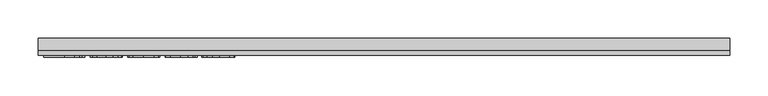
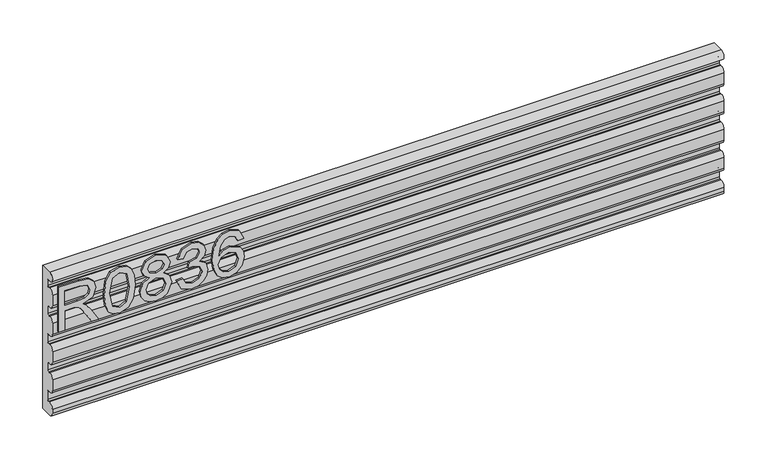
"""IFC4 building model written with IfcOpenShell, lengths in millimetres: furniture geometry."""

from ifc_helpers import new_model, si_unit, point, frame, frame_2d, origin, place, context, project, spatial, polyline, circle_curve, trimmed, segment, composite_curve, outline, extrude, source, transform, mapped, element, save


def furniture_57f4e40e(model_context):
    return source(origin(), model_context, "Body", "SweptSolid", [
        extrude(outline(polyline([(1085.85, -443.8729953), (1085.85, -435.8992757), (1113.7580187, -435.8992757), (1113.7580187, -426.274747), (1113.4776926, -421.6493666), (1111.9592596, -417.8571777), (1107.82445, -413.6444997), (1099.0720468, -407.6486363), (1085.85, -399.3478696), (1085.85, -390.0815353), (1103.136775, -400.7183526), (1111.3440996, -407.1814262), (1114.7547336, -411.7133645), (1120.6883023, -398.3589415), (1132.1816716, -394.0372477), (1141.8295609, -396.6458376), (1147.9188663, -403.6228423), (1149.6397569, -416.3854658), (1149.6397569, -443.8729953), (1085.85, -443.8729953)]), holes=[polyline([(1121.7317383, -435.8992757), (1141.6660373, -435.8992757), (1141.6660373, -416.042845), (1138.9094975, -405.3826671), (1131.8857719, -402.0109673), (1126.4739211, -403.778579), (1122.8608294, -408.9490378), (1121.7317383, -418.0518486), (1121.7317383, -435.8992757)])]), frame((0.0, -24.60625, 0.0), z_axis=(0.0, 1.0, 0.0), x_axis=(0.0, 0.0, 1.0)), (0.0, 0.0, 1.0), 2.38125),
        extrude(outline(polyline([(1117.2309473, -383.0733832), (1101.7156775, -381.4848688), (1090.9270168, -376.7193254), (1086.371718, -370.4275623), (1084.853285, -362.1423692), (1088.3495742, -350.4699027), (1098.9552443, -343.5318322), (1117.2309473, -341.2113553), (1132.2206058, -342.6597067), (1141.6582505, -346.3973877), (1147.5840324, -352.8293139), (1149.6397569, -362.1423692), (1146.1668283, -373.7681147), (1135.5845188, -380.7295457), (1117.2309473, -383.0733832)]), holes=[polyline([(1117.246521, -375.0996636), (1137.3988514, -371.2373932), (1141.6660373, -362.2358113), (1136.8226256, -352.7981666), (1117.246521, -349.1850749), (1097.4601718, -352.9227559), (1092.8270047, -362.1423692), (1097.4445982, -371.3619826), (1117.246521, -375.0996636)])]), frame((0.0, -24.60625, 0.0), z_axis=(0.0, 1.0, 0.0), x_axis=(0.0, 0.0, 1.0)), (0.0, 0.0, 1.0), 2.38125),
        extrude(outline(polyline([(1120.9842021, -322.6163919), (1115.1907964, -331.2130584), (1104.6318474, -334.2343506), (1096.8742125, -332.793786), (1090.5143145, -328.4720923), (1086.2685424, -321.7987742), (1084.853285, -313.3033366), (1086.2627023, -304.807899), (1090.490954, -298.1345809), (1104.413816, -292.3723226), (1114.7313731, -295.2768123), (1120.9842021, -303.7566762), (1125.913269, -296.6940163), (1133.4275653, -294.3657525), (1144.9209346, -299.598506), (1149.6397569, -313.4123523), (1145.0299503, -327.1016092), (1133.6455967, -332.2409207), (1125.9366295, -329.8815095), (1120.9842021, -322.6163919)]), holes=[polyline([(1104.9121735, -326.260631), (1113.3686769, -322.8889312), (1116.7481635, -313.5057943), (1113.3219559, -303.8501182), (1104.6629947, -300.3460422), (1096.1675571, -303.7411025), (1092.8270047, -313.2410419), (1094.4155191, -320.2180466), (1098.9085232, -324.9290821), (1104.9121735, -326.260631)]), polyline([(1133.4119916, -324.2672011), (1139.2365446, -321.3938587), (1141.6660373, -313.3033366), (1139.1820368, -305.2361749), (1133.0537972, -302.3394721), (1127.1358022, -305.1427329), (1124.7218831, -313.2098946), (1127.1513758, -321.4405798), (1133.4119916, -324.2672011)])]), frame((0.0, -24.60625, 0.0), z_axis=(0.0, 1.0, 0.0), x_axis=(0.0, 0.0, 1.0)), (0.0, 0.0, 1.0), 2.38125),
        extrude(outline(polyline([(1102.7941542, -285.3953179), (1089.8524335, -279.0568338), (1084.853285, -265.0716771), (1086.3172101, -256.5489856), (1090.7089854, -249.638169), (1097.2032063, -245.0595097), (1104.9744681, -243.5332899), (1115.3465331, -246.5857295), (1120.797318, -255.275838), (1126.0767925, -248.7348961), (1133.4275653, -246.5234348), (1141.4713664, -248.8516986), (1147.4516562, -255.5795245), (1149.6397569, -265.1962665), (1145.2012607, -277.8732348), (1132.6956028, -284.398603), (1131.6988878, -276.4248834), (1139.1742499, -272.5158919), (1141.6660373, -264.9159404), (1139.1976105, -257.4094309), (1132.9603552, -254.4971544), (1125.9210558, -258.5151616), (1123.7251682, -268.8405055), (1115.7514486, -269.7282048), (1116.6235742, -264.1372568), (1113.36089, -255.0733802), (1105.1146312, -251.5070095), (1096.362228, -255.1045276), (1092.8270047, -264.791351), (1095.3966604, -273.0220362), (1103.7908691, -277.4215983), (1102.7941542, -285.3953179)])), frame((0.0, -24.60625, 0.0), z_axis=(0.0, 1.0, 0.0), x_axis=(0.0, 0.0, 1.0)), (0.0, 0.0, 1.0), 2.38125),
        extrude(outline(polyline([(1132.6956028, -195.6909722), (1145.138966, -201.5778199), (1149.6397569, -214.1769199), (1147.8215308, -223.4315739), (1142.3668525, -230.5759955), (1131.5081103, -235.808749), (1115.6268592, -237.5530002), (1101.5015395, -235.9820061), (1092.0171738, -231.2690239), (1086.6442572, -224.0642543), (1084.853285, -215.0178981), (1087.555317, -204.5679648), (1095.3421526, -197.3262077), (1106.3449512, -194.6942573), (1114.5172351, -196.0919943), (1121.0309231, -200.2852052), (1126.715313, -213.8342991), (1124.6362279, -222.5477681), (1118.2743833, -229.5792806), (1132.4853582, -227.3133114), (1139.7349021, -221.8703134), (1141.6660373, -214.6752773), (1138.3488454, -206.685984), (1131.6988878, -203.6646918), (1132.6956028, -195.6909722)]), holes=[polyline([(1106.4695406, -229.5792806), (1115.35432, -225.6157813), (1118.7415934, -215.967892), (1115.35432, -206.1954134), (1106.0801988, -202.6679769), (1096.3933754, -206.2421344), (1092.8270047, -215.6408449), (1094.5478953, -222.8280942), (1099.5626174, -227.7338006), (1106.4695406, -229.5792806)])]), frame((0.0, -24.60625, 0.0), z_axis=(0.0, 1.0, 0.0), x_axis=(0.0, 0.0, 1.0)), (0.0, 0.0, 1.0), 2.38125),
        extrude(outline(composite_curve([segment(polyline([(-15.8760163, 1168.3962603), (0.0, 1168.3987579), (0.0, 965.2024959), (-15.875, 965.2024959)]), True, "CONTINUOUS"), segment(trimmed(circle_curve(frame_2d((-15.875, 971.5499997)), 6.3475038), [point((-15.875, 965.2024959))], [point((-22.2225037, 971.5499997))], False, "CARTESIAN"), True, "CONTINUOUS"), segment(polyline([(-22.2225037, 971.5499997), (-22.2225037, 977.3565144)]), True, "CONTINUOUS"), segment(trimmed(circle_curve(frame_2d((-15.8749436, 977.3565144)), 6.3475601), [point((-22.2225037, 977.3565144))], [point((-15.0857075, 983.6548178))], False, "CARTESIAN"), True, "CONTINUOUS"), segment(trimmed(circle_curve(frame_2d((-1.1337042, 1066.8935017)), 84.3998631), [point((-15.0857075, 983.6548178))], [point((-12.9059563, 983.3186791))], True, "CARTESIAN"), True, "CONTINUOUS"), segment(trimmed(circle_curve(frame_2d((-12.700446, 984.8924586)), 1.5871409), [point((-12.9059563, 983.3186791))], [point((-11.1133051, 984.8924586))], True, "CARTESIAN"), True, "CONTINUOUS"), segment(polyline([(-11.1133051, 984.8924586), (-11.1133051, 996.9069593)]), True, "CONTINUOUS"), segment(trimmed(circle_curve(frame_2d((-12.6993283, 996.9069593)), 1.5860232), [point((-11.1133051, 996.9069593))], [point((-12.9060069, 998.4794584))], True, "CARTESIAN"), True, "CONTINUOUS"), segment(trimmed(circle_curve(frame_2d((-1.1352938, 914.9058353)), 84.3984607), [point((-12.9060069, 998.4794584))], [point((-15.0903111, 998.142592))], True, "CARTESIAN"), True, "CONTINUOUS"), segment(trimmed(circle_curve(frame_2d((-15.8834296, 1004.4469395)), 6.3540408), [point((-15.0903111, 998.142592))], [point((-22.225, 1004.0490464))], False, "CARTESIAN"), True, "CONTINUOUS"), segment(polyline([(-22.225, 1004.0490464), (-22.225, 1019.4587238)]), True, "CONTINUOUS"), segment(trimmed(circle_curve(frame_2d((-15.8833926, 1019.0608997)), 6.3540734), [point((-22.225, 1019.4587238))], [point((-15.0903341, 1025.3652876))], False, "CARTESIAN"), True, "CONTINUOUS"), segment(trimmed(circle_curve(frame_2d((-1.1353844, 1108.6020955)), 84.3985), [point((-15.0903341, 1025.3652876))], [point((-12.9062753, 1025.0284577))], True, "CARTESIAN"), True, "CONTINUOUS"), segment(trimmed(circle_curve(frame_2d((-12.6998122, 1026.6006216)), 1.5856628), [point((-12.9062753, 1025.0284577))], [point((-11.1141494, 1026.6006216))], True, "CARTESIAN"), True, "CONTINUOUS"), segment(polyline([(-11.1141494, 1026.6006216), (-11.1141494, 1036.9966127)]), True, "CONTINUOUS"), segment(trimmed(circle_curve(frame_2d((-12.6998093, 1036.9966127)), 1.5856599), [point((-11.1141494, 1036.9966127))], [point((-12.9062754, 1038.5687733))], True, "CARTESIAN"), True, "CONTINUOUS"), segment(trimmed(circle_curve(frame_2d((-1.1353888, 954.9951397)), 84.3984953), [point((-12.9062754, 1038.5687733))], [point((-15.0903465, 1038.2319415))], True, "CARTESIAN"), True, "CONTINUOUS"), segment(trimmed(circle_curve(frame_2d((-15.8834158, 1044.5363673)), 6.3541124), [point((-15.0903465, 1038.2319415))], [point((-22.2250421, 1044.1382203))], False, "CARTESIAN"), True, "CONTINUOUS"), segment(polyline([(-22.2250421, 1044.1382203), (-22.2250421, 1059.5483319)]), True, "CONTINUOUS"), segment(trimmed(circle_curve(frame_2d((-15.8834158, 1059.1501848)), 6.3541124), [point((-22.2250421, 1059.5483319))], [point((-15.0903468, 1065.4546107))], False, "CARTESIAN"), True, "CONTINUOUS"), segment(trimmed(circle_curve(frame_2d((-1.1353891, 1148.6914132)), 84.398496), [point((-15.0903468, 1065.4546107))], [point((-12.9062764, 1065.1177789))], True, "CARTESIAN"), True, "CONTINUOUS"), segment(trimmed(circle_curve(frame_2d((-12.6998106, 1066.6899388)), 1.5856591), [point((-12.9062764, 1065.1177789))], [point((-11.1141515, 1066.6899388))], True, "CARTESIAN"), True, "CONTINUOUS"), segment(polyline([(-11.1141515, 1066.6899388), (-11.1141515, 1077.0860943)]), True, "CONTINUOUS"), segment(trimmed(circle_curve(frame_2d((-12.6998106, 1077.0860943)), 1.5856591), [point((-11.1141515, 1077.0860943))], [point((-12.9062762, 1078.6582542))], True, "CARTESIAN"), True, "CONTINUOUS"), segment(trimmed(circle_curve(frame_2d((-1.135389, 995.0846199)), 84.398496), [point((-12.9062762, 1078.6582542))], [point((-15.0903467, 1078.3214224))], True, "CARTESIAN"), True, "CONTINUOUS"), segment(trimmed(circle_curve(frame_2d((-15.8834159, 1084.6258482)), 6.3541123), [point((-15.0903467, 1078.3214224))], [point((-22.225042, 1084.2277013))], False, "CARTESIAN"), True, "CONTINUOUS"), segment(polyline([(-22.225042, 1084.2277013), (-22.225042, 1099.6379807)]), True, "CONTINUOUS"), segment(trimmed(circle_curve(frame_2d((-15.8834159, 1099.2398338)), 6.3541123), [point((-22.225042, 1099.6379807))], [point((-15.0903468, 1105.5442596))], False, "CARTESIAN"), True, "CONTINUOUS"), segment(trimmed(circle_curve(frame_2d((-1.1353891, 1188.7810621)), 84.3984961), [point((-15.0903468, 1105.5442596))], [point((-12.9062764, 1105.2074278))], True, "CARTESIAN"), True, "CONTINUOUS"), segment(trimmed(circle_curve(frame_2d((-12.6998107, 1106.7795876)), 1.585659), [point((-12.9062764, 1105.2074278))], [point((-11.1141517, 1106.7795876))], True, "CARTESIAN"), True, "CONTINUOUS"), segment(polyline([(-11.1141517, 1106.7795876), (-11.1141517, 1117.1755748)]), True, "CONTINUOUS"), segment(trimmed(circle_curve(frame_2d((-12.6998103, 1117.1755748)), 1.5856586), [point((-11.1141517, 1117.1755748))], [point((-12.906276, 1118.7477342))], True, "CARTESIAN"), True, "CONTINUOUS"), segment(trimmed(circle_curve(frame_2d((-1.1353891, 1035.1741004)), 84.3984955), [point((-12.906276, 1118.7477342))], [point((-15.0903471, 1118.4109023))], True, "CARTESIAN"), True, "CONTINUOUS"), segment(trimmed(circle_curve(frame_2d((-15.8834165, 1124.7153276)), 6.3541119), [point((-15.0903471, 1118.4109023))], [point((-22.225042, 1124.3171779))], False, "CARTESIAN"), True, "CONTINUOUS"), segment(polyline([(-22.225042, 1124.3171779), (-22.225042, 1139.7272397)]), True, "CONTINUOUS"), segment(trimmed(circle_curve(frame_2d((-15.8834716, 1139.3290423)), 6.3540599), [point((-22.225042, 1139.7272397))], [point((-15.090343, 1145.6334077))], False, "CARTESIAN"), True, "CONTINUOUS"), segment(trimmed(circle_curve(frame_2d((-1.1352996, 1228.8702803)), 84.3985793), [point((-15.090343, 1145.6334077))], [point((-12.9060294, 1145.2965398))], True, "CARTESIAN"), True, "CONTINUOUS"), segment(trimmed(circle_curve(frame_2d((-12.6993505, 1146.8690306)), 1.5860151), [point((-12.9060294, 1145.2965398))], [point((-11.1133354, 1146.8690306))], True, "CARTESIAN"), True, "CONTINUOUS"), segment(polyline([(-11.1133354, 1146.8690306), (-11.1133354, 1154.5150339)]), True, "CONTINUOUS"), segment(trimmed(circle_curve(frame_2d((-12.7004555, 1154.5150339)), 1.5871201), [point((-11.1133354, 1154.5150339))], [point((-12.9059726, 1156.0887915))], True, "CARTESIAN"), True, "CONTINUOUS"), segment(trimmed(circle_curve(frame_2d((-1.1337141, 1072.5138651)), 84.3999668), [point((-12.9059726, 1156.0887915))], [point((-15.0857569, 1155.7526475))], True, "CARTESIAN"), True, "CONTINUOUS"), segment(trimmed(circle_curve(frame_2d((-15.8750176, 1162.0498197)), 6.3464407), [point((-15.0857569, 1155.7526475))], [point((-15.8760163, 1168.3962603))], False, "CARTESIAN"), True, "CONTINUOUS")], self_intersect=False)), frame((-450.85, 0.0, 0.0), z_axis=(1.0, 0.0, 0.0), x_axis=(0.0, 1.0, 0.0)), (0.0, 0.0, 1.0), 901.7),
    ])


if __name__ == "__main__":
    model = new_model("IFC4")
    model_context = context("Model", 3, world=origin())
    ifc_project = project(units=[si_unit("LENGTHUNIT", "METRE", prefix="MILLI")], contexts=[model_context])
    site = spatial("IfcSite", under=ifc_project)
    building = spatial("IfcBuilding", under=site)
    placement = place(None, origin())
    furniture_shape = furniture_57f4e40e(model_context)
    element("IfcFurniture", 1, at=placement, inside=building, context=model_context, shape_type="MappedRepresentation", body=[
        mapped(furniture_shape, transform((0.0, 0.0, 0.0), x_axis=(1.0, 0.0, 0.0), y_axis=(0.0, 1.0, 0.0), z_axis=(0.0, 0.0, 1.0))),
    ])
    save(model, "model.ifc")
